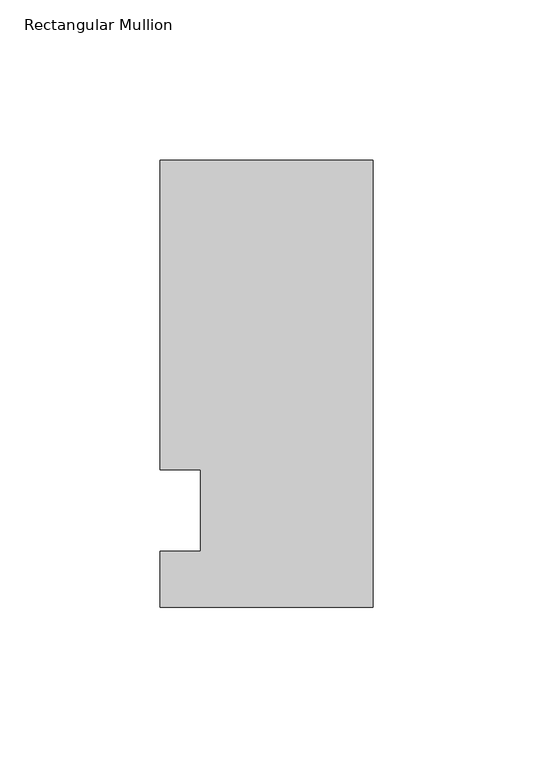
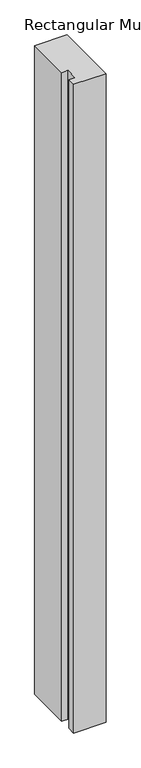
"""IFC4 building model written with IfcOpenShell, lengths in millimetres: member geometry, Rectangular Mullion."""

from ifc_helpers import new_model, si_unit, frame, origin, place, context, project, spatial, polyline, outline, extrude, source, transform, mapped, element, save


def rectangular_mullion_ef6313d0(model_context):
    return source(origin(), model_context, "Body", "SweptSolid", [
        extrude(outline(polyline([(-66.675, 109.5375), (0.0, 109.5375), (0.0, -30.1625), (-66.675, -30.1625), (-66.675, -12.7), (-53.9732296, -12.7), (-53.9732296, 12.7), (-66.675, 12.7), (-66.675, 109.5375)])), frame((0.0, 0.0, -1416.1510693), z_axis=(0.0, 0.0, 1.0), x_axis=(1.0, 0.0, 0.0)), (0.0, 0.0, 1.0), 1416.1510693),
    ])


if __name__ == "__main__":
    model = new_model("IFC4")
    model_context = context("Model", 3, world=origin())
    ifc_project = project(units=[si_unit("LENGTHUNIT", "METRE", prefix="MILLI")], contexts=[model_context])
    site = spatial("IfcSite", under=ifc_project)
    building = spatial("IfcBuilding", under=site)
    placement = place(None, origin())
    rectangular_mullion_shape = rectangular_mullion_ef6313d0(model_context)
    element("IfcMember", 1, ObjectType="Rectangular Mullion", at=placement, inside=building, context=model_context, shape_type="MappedRepresentation", body=[
        mapped(rectangular_mullion_shape, transform((0.0, 0.0, 0.0), x_axis=(1.0, 0.0, 0.0), y_axis=(0.0, 1.0, 0.0), z_axis=(0.0, 0.0, 1.0))),
    ])
    save(model, "model.ifc")
